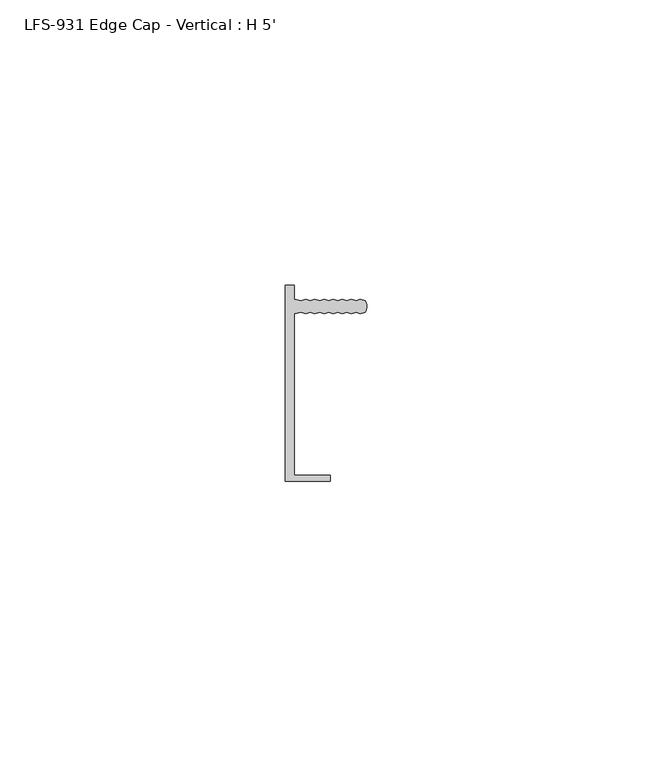
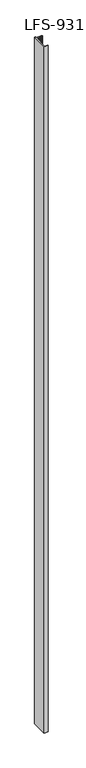
"""IFC4 building model written with IfcOpenShell, lengths in millimetres: proxy geometry, LFS-931 Edge Cap - Vertical : H 5'."""

from ifc_helpers import new_model, si_unit, point, frame_2d, origin, origin_with_axes, place, context, project, spatial, polyline, circle_curve, trimmed, segment, composite_curve, outline, extrude, source, transform, mapped, element, save


def lfs_931_edge_cap_vertical_h_5_3cd01866(model_context):
    return source(origin(), model_context, "Body", "SweptSolid", [
        extrude(outline(composite_curve([segment(trimmed(circle_curve(frame_2d((5.0970263, 13.489432)), 2.1356527), [point((6.9755505, 14.5053844))], [point((6.975499, 12.4733844))], False, "CARTESIAN"), True, "CONTINUOUS"), segment(polyline([(6.975499, 12.4733844), (6.1594091, 12.2194051), (5.3776839, 12.4734249), (4.5615939, 12.2194456), (3.7798687, 12.4734654), (2.9637788, 12.2194861), (2.1820536, 12.4735059), (1.3659636, 12.2195266), (0.5842384, 12.4735464), (-0.2318515, 12.219567), (-1.0135767, 12.4735869), (-1.8296667, 12.2196075), (-2.6113918, 12.4736273), (-3.4274818, 12.219648), (-4.209207, 12.4736678), (-5.4705074, 12.2196998), (-5.4712256, -16.1278963), (0.8787744, -16.1280572), (0.8787469, -17.2126372), (-7.0587531, -17.2124361), (-7.057881, 17.2096439), (-5.470381, 17.2096037), (-5.470443, 14.7596998), (-4.2091555, 14.5056678), (-3.4274175, 14.759648), (-2.6113404, 14.5056273), (-1.8296023, 14.7596075), (-1.0135252, 14.5055869), (-0.2317872, 14.759567), (0.5842899, 14.5055464), (1.366028, 14.7595266), (2.1821051, 14.5055059), (2.9638431, 14.7594861), (3.7799202, 14.5054654), (4.5616583, 14.7594456), (5.3777354, 14.5054249), (6.1594734, 14.7594051), (6.9755505, 14.5053844)]), True, "CONTINUOUS")], self_intersect=False)), origin_with_axes(), (0.0, 0.0, 1.0), 1524.0),
    ])


if __name__ == "__main__":
    model = new_model("IFC4")
    model_context = context("Model", 3, world=origin())
    ifc_project = project(units=[si_unit("LENGTHUNIT", "METRE", prefix="MILLI")], contexts=[model_context])
    site = spatial("IfcSite", under=ifc_project)
    building = spatial("IfcBuilding", under=site)
    placement = place(None, origin())
    lfs_931_edge_cap_vertical_h_5_shape = lfs_931_edge_cap_vertical_h_5_3cd01866(model_context)
    element("IfcBuildingElementProxy", 1, Name="LFS-931 Edge Cap - Vertical : H 5'", ObjectType="LFS-931 Edge Cap - Vertical : H 5'", at=placement, inside=building, context=model_context, shape_type="MappedRepresentation", body=[
        mapped(lfs_931_edge_cap_vertical_h_5_shape, transform((0.0, 0.0, 0.0), x_axis=(1.0, 0.0, 0.0), y_axis=(0.0, 1.0, 0.0), z_axis=(0.0, 0.0, 1.0))),
    ])
    save(model, "model.ifc")
